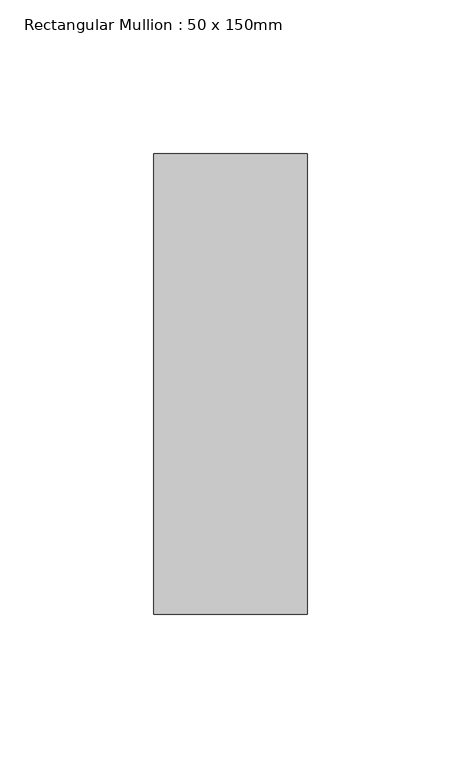
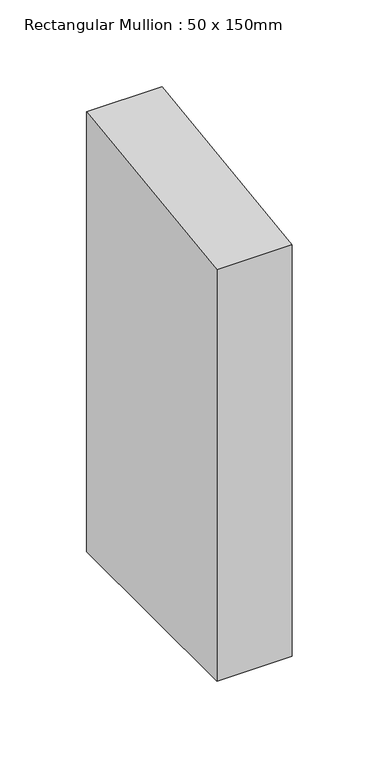
"""IFC4 building model written with IfcOpenShell, lengths in millimetres: member geometry, Rectangular Mullion : 50 x 150mm."""

from ifc_helpers import new_model, si_unit, frame, origin, place, context, project, spatial, polyline, outline, extrude, source, transform, mapped, element, save


def rectangular_mullion_50_x_150mm_063e83f0(model_context):
    return source(origin(), model_context, "Body", "SweptSolid", [
        extrude(outline(polyline([(-75.0, -10.0113637), (75.0, 10.0113637), (75.0, -299.1542008), (-75.0, -299.1542008), (-75.0, -10.0113637)])), frame((-50.0, 0.0, 0.0), z_axis=(1.0, 0.0, 0.0), x_axis=(0.0, 1.0, 0.0)), (0.0, 0.0, 1.0), 50.0),
    ])


if __name__ == "__main__":
    model = new_model("IFC4")
    model_context = context("Model", 3, world=origin())
    ifc_project = project(units=[si_unit("LENGTHUNIT", "METRE", prefix="MILLI")], contexts=[model_context])
    site = spatial("IfcSite", under=ifc_project)
    building = spatial("IfcBuilding", under=site)
    placement = place(None, origin())
    rectangular_mullion_50_x_150mm_shape = rectangular_mullion_50_x_150mm_063e83f0(model_context)
    element("IfcMember", 1, ObjectType="Rectangular Mullion : 50 x 150mm", at=placement, inside=building, context=model_context, shape_type="MappedRepresentation", body=[
        mapped(rectangular_mullion_50_x_150mm_shape, transform((0.0, 0.0, 0.0), x_axis=(1.0, 0.0, 0.0), y_axis=(0.0, 1.0, 0.0), z_axis=(0.0, 0.0, 1.0))),
    ])
    save(model, "model.ifc")
